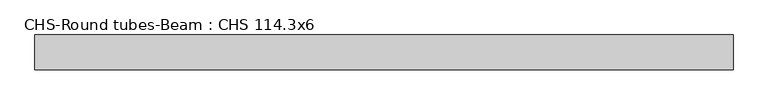
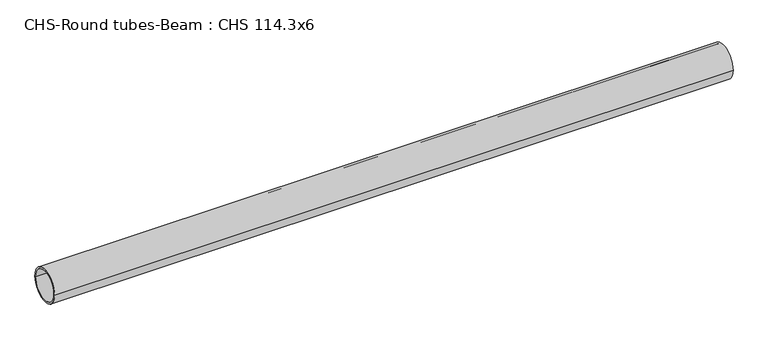
"""IFC4 building model written with IfcOpenShell, lengths in millimetres: beam geometry, CHS-Round tubes-Beam : CHS 114.3x6."""

from ifc_helpers import new_model, si_unit, point, frame, origin, origin_2d, place, context, project, spatial, circle_curve, trimmed, segment, composite_curve, outline, extrude, source, transform, mapped, element, save


def chs_round_tubes_beam_chs_114_3x6_5b8f621e(model_context):
    return source(origin(), model_context, "Body", "SweptSolid", [
        extrude(outline(composite_curve([segment(trimmed(circle_curve(origin_2d(), 57.15), [point((57.15, 0.0))], [point((-57.15, 0.0))], False, "CARTESIAN"), True, "CONTINUOUS"), segment(trimmed(circle_curve(origin_2d(), 57.15), [point((-57.15, 0.0))], [point((57.15, 0.0))], False, "CARTESIAN"), True, "CONTINUOUS")], self_intersect=False), holes=[composite_curve([segment(trimmed(circle_curve(origin_2d(), 51.15), [point((51.15, 0.0))], [point((-51.15, 0.0))], True, "CARTESIAN"), True, "CONTINUOUS"), segment(trimmed(circle_curve(origin_2d(), 51.15), [point((-51.15, 0.0))], [point((51.15, 0.0))], True, "CARTESIAN"), True, "CONTINUOUS")], self_intersect=False)]), frame((-1108.6258727, 0.0, 0.0), z_axis=(1.0, 0.0, 0.0), x_axis=(0.0, 1.0, 0.0)), (0.0, 0.0, 1.0), 2292.0432495),
    ])


if __name__ == "__main__":
    model = new_model("IFC4")
    model_context = context("Model", 3, world=origin())
    ifc_project = project(units=[si_unit("LENGTHUNIT", "METRE", prefix="MILLI")], contexts=[model_context])
    site = spatial("IfcSite", under=ifc_project)
    building = spatial("IfcBuilding", under=site)
    placement = place(None, origin())
    chs_round_tubes_beam_chs_114_3x6_shape = chs_round_tubes_beam_chs_114_3x6_5b8f621e(model_context)
    element("IfcBeam", 1, ObjectType="CHS-Round tubes-Beam : CHS 114.3x6", at=placement, inside=building, context=model_context, shape_type="MappedRepresentation", body=[
        mapped(chs_round_tubes_beam_chs_114_3x6_shape, transform((0.0, 0.0, 0.0), x_axis=(1.0, 0.0, 0.0), y_axis=(0.0, 1.0, 0.0), z_axis=(0.0, 0.0, 1.0))),
    ])
    save(model, "model.ifc")
